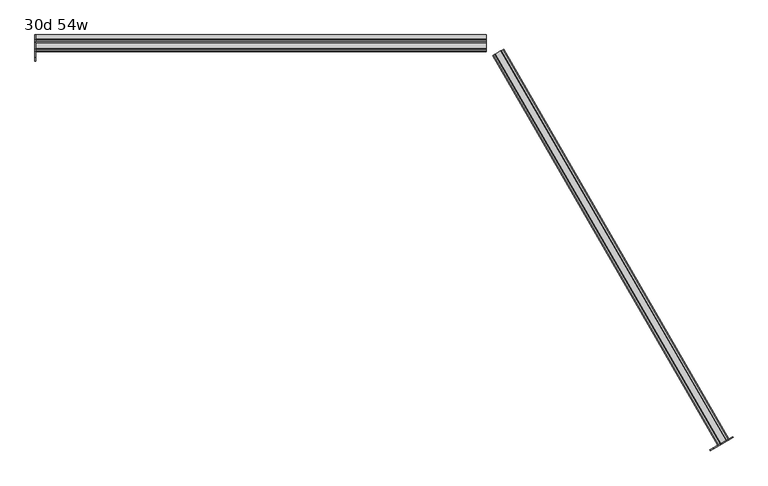
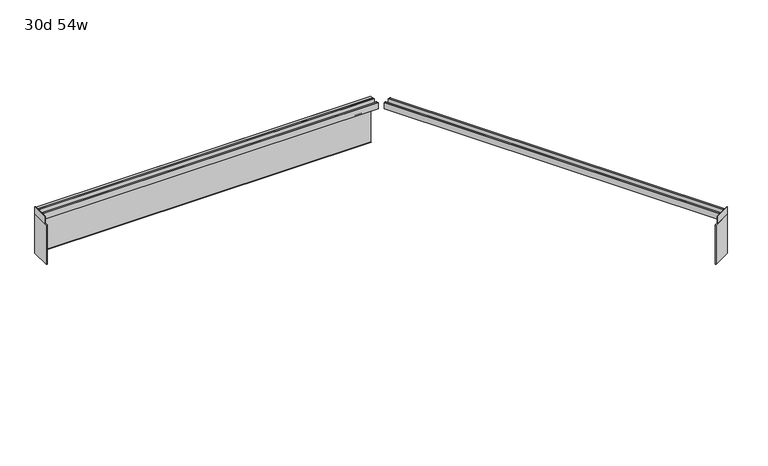
"""IFC4 building model written with IfcOpenShell, lengths in millimetres: furniture geometry, 30d 54w."""

from ifc_helpers import new_model, si_unit, frame, origin, place, context, project, spatial, polyline, outline, extrude, source, transform, mapped, element, save


def furniture_30d_54w_4753146d(model_context):
    return source(origin(), model_context, "Body", "SweptSolid", [
        extrude(outline(polyline([(-359.1397539, 542.478661), (-363.5439909, 542.478661), (-363.5439909, 543.272411), (-359.9335039, 543.272411), (-359.9335039, 738.7080593), (-371.8079002, 738.7080593), (-371.8079002, 729.9768093), (-372.6016502, 729.9768093), (-372.6016502, 739.5018093), (-359.1397539, 739.5018093), (-359.1397539, 542.478661)])), frame((2546.045945, 0.0, 0.0), z_axis=(1.0, 0.0, 0.0), x_axis=(0.0, 1.0, 0.0)), (0.0, 0.0, 1.0), 1365.25),
        extrude(outline(polyline([(0.0, 0.0), (0.0, -25.4), (-1.5875, -25.4), (-1.5875, -4.7625), (-7.9375, -4.7625), (-7.9375, -25.4), (-9.525, -25.4), (-9.525, -1.5875), (-28.575, -1.5875), (-28.575, -25.4), (-30.1625, -25.4), (-30.1625, -4.7625), (-36.5125, -4.7625), (-36.5125, -25.4), (-38.1, -25.4), (-38.1, 0.0), (0.0, 0.0)])), frame((4646.1145738, -1585.0768384, 715.9625), z_axis=(-0.4999999999999958, 0.8660254037844412, 0.0), x_axis=(0.8660254037844412, 0.4999999999999958, 0.0)), (0.0, 0.0, 1.0), 1365.25),
        extrude(outline(polyline([(-410.7016502, 715.9625), (-410.7016502, 741.3625), (-409.1141502, 741.3625), (-409.1141502, 720.725), (-402.7641502, 720.725), (-402.7641502, 741.3625), (-401.1766502, 741.3625), (-401.1766502, 717.55), (-382.1266502, 717.55), (-382.1266502, 741.3625), (-380.5391502, 741.3625), (-380.5391502, 720.725), (-374.1891502, 720.725), (-374.1891502, 741.3625), (-372.6016502, 741.3625), (-372.6016502, 715.9625), (-410.7016502, 715.9625)])), frame((2546.045945, 0.0, 0.0), z_axis=(1.0, 0.0, 0.0), x_axis=(0.0, 1.0, 0.0)), (0.0, 0.0, 1.0), 1365.25),
        extrude(outline(polyline([(4659.2338425, -1580.8125783), (4600.1167833, -1614.9438283), (4598.683445, -1612.4612134), (4657.8005041, -1578.3299634), (4659.2338425, -1580.8125783)])), frame((0.0, 0.0, 711.2), z_axis=(0.0, 0.0, 1.0), x_axis=(1.0, 0.0, 0.0)), (0.0, 0.0, 1.0), 30.1625),
        extrude(outline(polyline([(4659.2338425, -1580.8125783), (4589.8056684, -1620.8969533), (4588.37233, -1618.4143384), (4657.8005041, -1578.3299634), (4659.2338425, -1580.8125783)])), frame((0.0, 0.0, 542.528125), z_axis=(0.0, 0.0, 1.0), x_axis=(1.0, 0.0, 0.0)), (0.0, 0.0, 1.0), 168.671875),
        extrude(outline(polyline([(2542.870945, -427.3704002), (2542.870945, -359.1079002), (2546.045945, -359.1079002), (2546.045945, -427.3704002), (2542.870945, -427.3704002)])), frame((0.0, 0.0, 711.2), z_axis=(0.0, 0.0, 1.0), x_axis=(1.0, 0.0, 0.0)), (0.0, 0.0, 1.0), 30.1625),
        extrude(outline(polyline([(2542.870945, -439.2766502), (2542.870945, -359.1079002), (2546.045945, -359.1079002), (2546.045945, -439.2766502), (2542.870945, -439.2766502)])), frame((0.0, 0.0, 542.528125), z_axis=(0.0, 0.0, 1.0), x_axis=(1.0, 0.0, 0.0)), (0.0, 0.0, 1.0), 168.671875),
    ])


if __name__ == "__main__":
    model = new_model("IFC4")
    model_context = context("Model", 3, world=origin())
    ifc_project = project(units=[si_unit("LENGTHUNIT", "METRE", prefix="MILLI")], contexts=[model_context])
    site = spatial("IfcSite", under=ifc_project)
    building = spatial("IfcBuilding", under=site)
    placement = place(None, origin())
    furniture_30d_54w_shape = furniture_30d_54w_4753146d(model_context)
    element("IfcFurniture", 1, ObjectType="30d 54w", at=placement, inside=building, context=model_context, shape_type="MappedRepresentation", body=[
        mapped(furniture_30d_54w_shape, transform((0.0, 0.0, 0.0), x_axis=(1.0, 0.0, 0.0), y_axis=(0.0, 1.0, 0.0), z_axis=(0.0, 0.0, 1.0))),
    ])
    save(model, "model.ifc")
